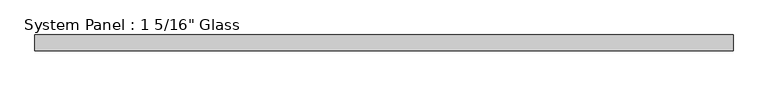
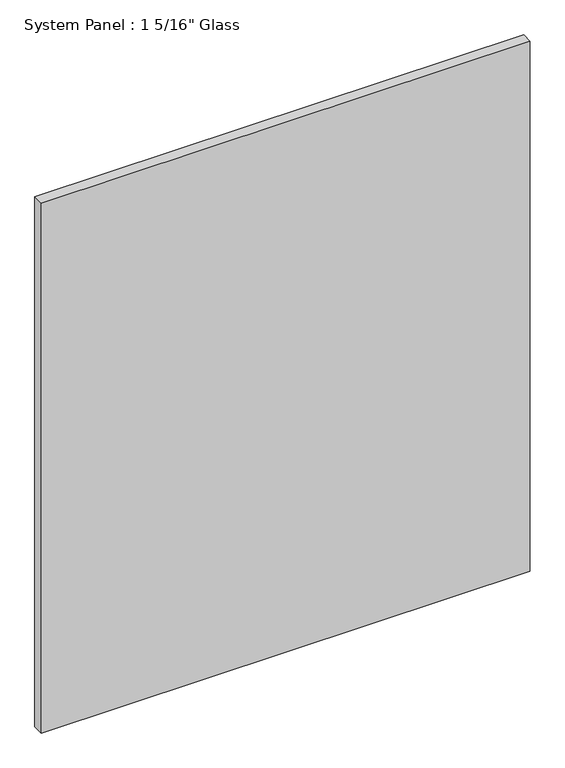
"""IFC4 building model written with IfcOpenShell, lengths in millimetres: plate geometry."""

from ifc_helpers import new_model, si_unit, origin, origin_with_axes, place, context, project, spatial, polyline, outline, extrude, source, transform, mapped, element, save


def plate_85b4c927(model_context):
    return source(origin(), model_context, "Body", "SweptSolid", [
        extrude(outline(polyline([(742.95, -16.66875), (-742.95, -16.66875), (-742.95, 16.66875), (742.95, 16.66875), (742.95, -16.66875)])), origin_with_axes(), (0.0, 0.0, 1.0), 1701.8),
    ])


if __name__ == "__main__":
    model = new_model("IFC4")
    model_context = context("Model", 3, world=origin())
    ifc_project = project(units=[si_unit("LENGTHUNIT", "METRE", prefix="MILLI")], contexts=[model_context])
    site = spatial("IfcSite", under=ifc_project)
    building = spatial("IfcBuilding", under=site)
    placement = place(None, origin())
    plate_shape = plate_85b4c927(model_context)
    element("IfcPlate", 1, ObjectType="System Panel : 1 5/16\" Glass", at=placement, inside=building, context=model_context, shape_type="MappedRepresentation", body=[
        mapped(plate_shape, transform((0.0, 0.0, 0.0), x_axis=(1.0, 0.0, 0.0), y_axis=(0.0, 1.0, 0.0), z_axis=(0.0, 0.0, 1.0))),
    ])
    save(model, "model.ifc")
